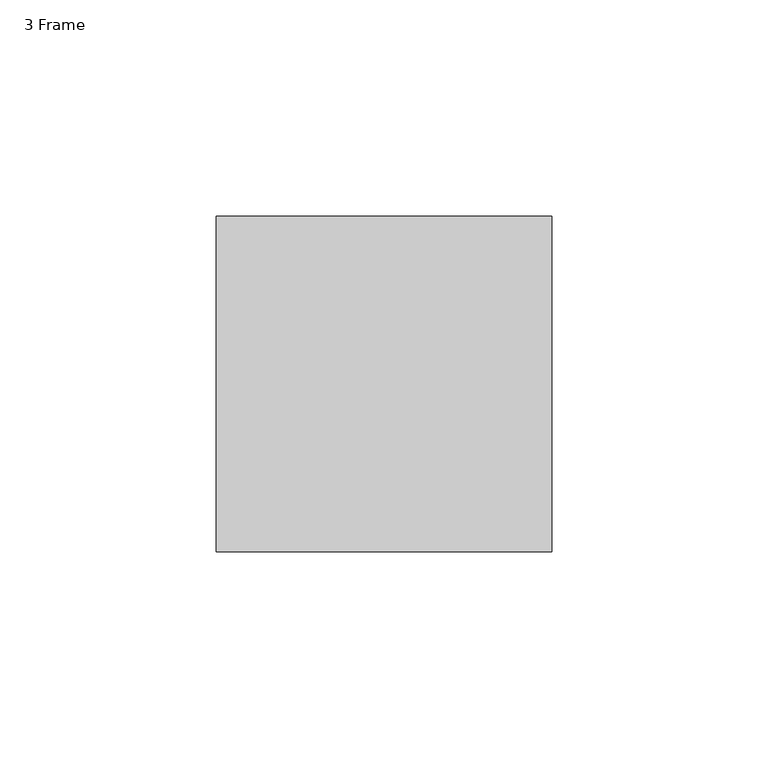
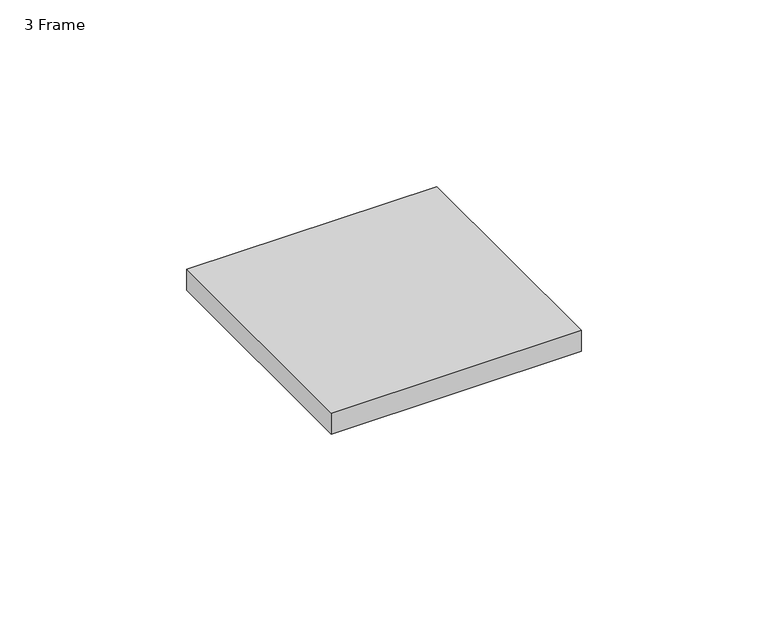
"""IFC4 building model written with IfcOpenShell, lengths in millimetres: furniture geometry, 3 Frame."""

from ifc_helpers import new_model, si_unit, frame, origin, place, context, project, spatial, polyline, outline, extrude, source, transform, mapped, element, save


def furniture_3_frame_b56daf1b(model_context):
    return source(origin(), model_context, "Body", "SweptSolid", [
        extrude(outline(polyline([(-283.31795, 38.7477), (-283.31795, -38.7223), (-360.78795, -38.7223), (-360.78795, 38.7477), (-283.31795, 38.7477)])), frame((0.0, 0.0, 1048.766), z_axis=(0.0, 0.0, 1.0), x_axis=(1.0, 0.0, 0.0)), (0.0, 0.0, 1.0), 6.858),
    ])


if __name__ == "__main__":
    model = new_model("IFC4")
    model_context = context("Model", 3, world=origin())
    ifc_project = project(units=[si_unit("LENGTHUNIT", "METRE", prefix="MILLI")], contexts=[model_context])
    site = spatial("IfcSite", under=ifc_project)
    building = spatial("IfcBuilding", under=site)
    placement = place(None, origin())
    furniture_3_frame_shape = furniture_3_frame_b56daf1b(model_context)
    element("IfcFurniture", 1, ObjectType="3 Frame", at=placement, inside=building, context=model_context, shape_type="MappedRepresentation", body=[
        mapped(furniture_3_frame_shape, transform((0.0, 0.0, 0.0), x_axis=(1.0, 0.0, 0.0), y_axis=(0.0, 1.0, 0.0), z_axis=(0.0, 0.0, 1.0))),
    ])
    save(model, "model.ifc")
